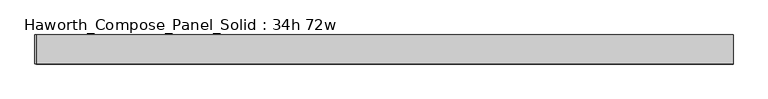
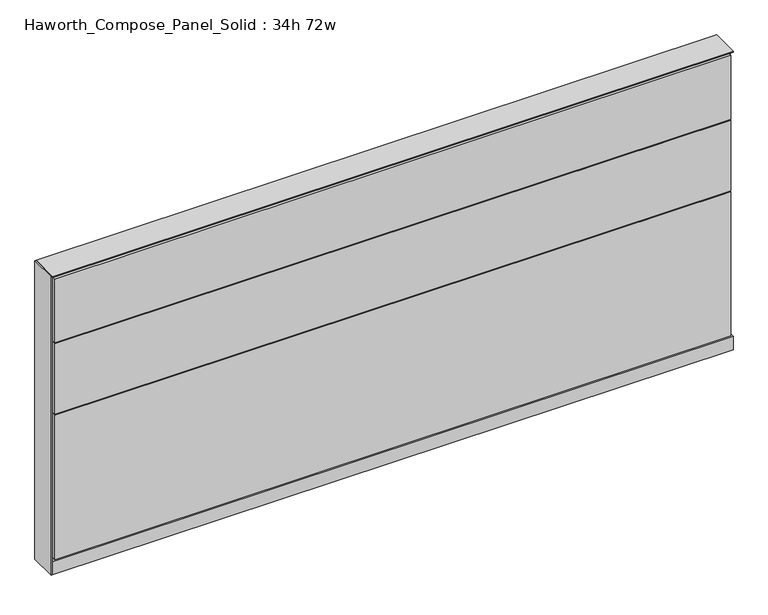
"""IFC4 building model written with IfcOpenShell, lengths in millimetres: furniture geometry, Haworth_Compose_Panel_Solid : 34h 72w."""

from ifc_helpers import new_model, si_unit, point, frame, frame_2d, origin, origin_with_axes, place, context, project, spatial, polyline, circle_curve, trimmed, segment, composite_curve, outline, extrude, source, transform, mapped, element, save


def haworth_compose_panel_solid_34h_72w_a8d43181(model_context):
    return source(origin(), model_context, "Body", "SweptSolid", [
        extrude(outline(composite_curve([segment(trimmed(circle_curve(frame_2d((-835.7597098, 0.0)), 12.7), [point((-848.4597098, 0.0))], [point((-823.0597098, 0.0))], False, "CARTESIAN"), True, "CONTINUOUS"), segment(trimmed(circle_curve(frame_2d((-835.7597098, 0.0)), 12.7), [point((-823.0597098, 0.0))], [point((-848.4597098, 0.0))], False, "CARTESIAN"), True, "CONTINUOUS")], self_intersect=False)), origin_with_axes(), (0.0, 0.0, 1.0), 12.7),
        extrude(outline(composite_curve([segment(trimmed(circle_curve(frame_2d((840.6402902, 0.0)), 12.7), [point((827.9402902, 0.0))], [point((853.3402902, 0.0))], False, "CARTESIAN"), True, "CONTINUOUS"), segment(trimmed(circle_curve(frame_2d((840.6402902, 0.0)), 12.7), [point((853.3402902, 0.0))], [point((827.9402902, 0.0))], False, "CARTESIAN"), True, "CONTINUOUS")], self_intersect=False)), origin_with_axes(), (0.0, 0.0, 1.0), 12.7),
        extrude(outline(polyline([(-915.1347098, 38.1), (-911.9597098, 38.1), (-911.9597098, -38.1), (-915.1347098, -38.1), (-915.1347098, 38.1)])), frame((0.0, 0.0, 12.7), z_axis=(0.0, 0.0, 1.0), x_axis=(1.0, 0.0, 0.0)), (0.0, 0.0, 1.0), 847.725),
        extrude(outline(polyline([(910.4902902, 38.1), (910.4902902, 25.4), (-905.6097098, 25.4), (-905.6097098, 38.1), (910.4902902, 38.1)])), frame((0.0, 0.0, 53.975), z_axis=(0.0, 0.0, 1.0), x_axis=(1.0, 0.0, 0.0)), (0.0, 0.0, 1.0), 796.925),
        extrude(outline(polyline([(910.4902902, -38.1), (-905.6097098, -38.1), (-905.6097098, -25.4), (910.4902902, -25.4), (910.4902902, -38.1)])), frame((0.0, 0.0, 669.925), z_axis=(0.0, 0.0, 1.0), x_axis=(1.0, 0.0, 0.0)), (0.0, 0.0, 1.0), 180.975),
        extrude(outline(polyline([(910.4902902, -38.1), (-905.6097098, -38.1), (-905.6097098, -25.4), (910.4902902, -25.4), (910.4902902, -38.1)])), frame((0.0, 0.0, 466.725), z_axis=(0.0, 0.0, 1.0), x_axis=(1.0, 0.0, 0.0)), (0.0, 0.0, 1.0), 200.025),
        extrude(outline(polyline([(910.4902902, -38.1), (-905.6097098, -38.1), (-905.6097098, -25.4), (910.4902902, -25.4), (910.4902902, -38.1)])), frame((0.0, 0.0, 53.975), z_axis=(0.0, 0.0, 1.0), x_axis=(1.0, 0.0, 0.0)), (0.0, 0.0, 1.0), 409.575),
        extrude(outline(polyline([(916.8402902, 25.4), (916.8402902, -25.4), (-911.9597098, -25.4), (-911.9597098, 25.4), (916.8402902, 25.4)])), frame((0.0, 0.0, 12.7), z_axis=(0.0, 0.0, 1.0), x_axis=(1.0, 0.0, 0.0)), (0.0, 0.0, 1.0), 844.55),
        extrude(outline(polyline([(-911.9597098, -38.1), (-911.9597098, 38.1), (916.8402902, 38.1), (916.8402902, -38.1), (-911.9597098, -38.1)])), frame((0.0, 0.0, 12.7), z_axis=(0.0, 0.0, 1.0), x_axis=(1.0, 0.0, 0.0)), (0.0, 0.0, 1.0), 38.1),
        extrude(outline(polyline([(-911.9597098, -38.1), (-911.9597098, 38.1), (916.8402902, 38.1), (916.8402902, -38.1), (-911.9597098, -38.1)])), frame((0.0, 0.0, 857.25), z_axis=(0.0, 0.0, 1.0), x_axis=(1.0, 0.0, 0.0)), (0.0, 0.0, 1.0), 3.175),
    ])


if __name__ == "__main__":
    model = new_model("IFC4")
    model_context = context("Model", 3, world=origin())
    ifc_project = project(units=[si_unit("LENGTHUNIT", "METRE", prefix="MILLI")], contexts=[model_context])
    site = spatial("IfcSite", under=ifc_project)
    building = spatial("IfcBuilding", under=site)
    placement = place(None, origin())
    haworth_compose_panel_solid_34h_72w_shape = haworth_compose_panel_solid_34h_72w_a8d43181(model_context)
    element("IfcFurniture", 1, ObjectType="Haworth_Compose_Panel_Solid : 34h 72w", at=placement, inside=building, context=model_context, shape_type="MappedRepresentation", body=[
        mapped(haworth_compose_panel_solid_34h_72w_shape, transform((0.0, 0.0, 0.0), x_axis=(1.0, 0.0, 0.0), y_axis=(0.0, 1.0, 0.0), z_axis=(0.0, 0.0, 1.0))),
    ])
    save(model, "model.ifc")
